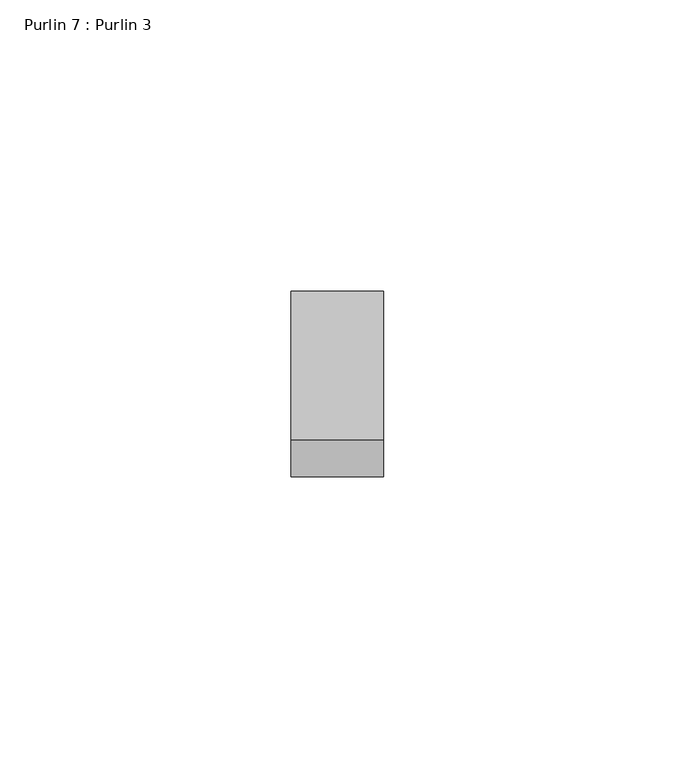
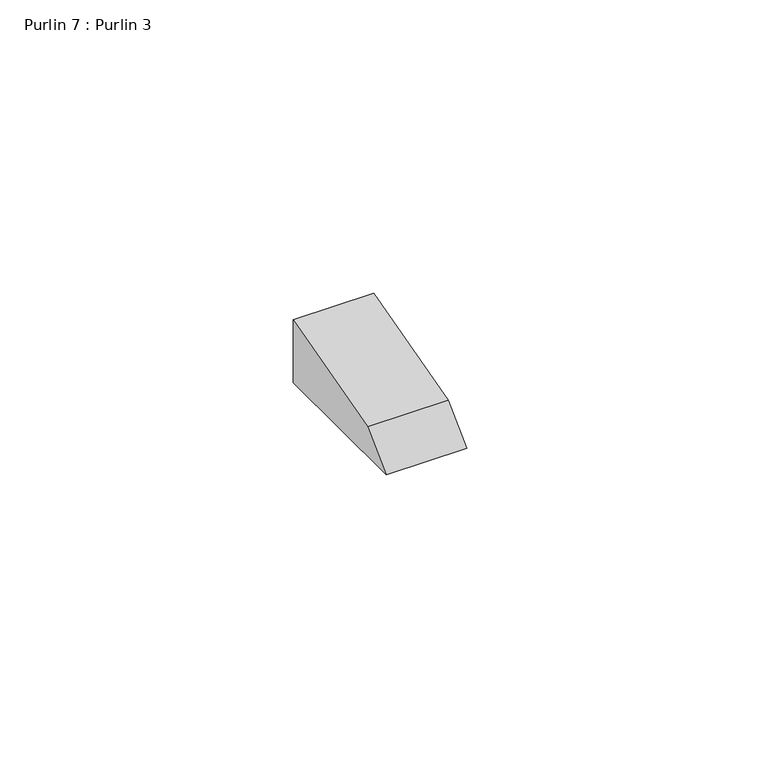
"""IFC4 building model written with IfcOpenShell, lengths in millimetres: proxy geometry, Purlin 7 : Purlin 3."""

from ifc_helpers import new_model, si_unit, frame, origin, place, context, project, spatial, polyline, outline, extrude, source, transform, mapped, element, save


def purlin_7_purlin_3_e2411049(model_context):
    return source(origin(), model_context, "Body", "SweptSolid", [
        extrude(outline(polyline([(7476.9130824, 2287.9178282), (7445.1630824, 2287.9178282), (7451.4152148, 2294.1699605), (7476.9130824, 2301.0020936), (7476.9130824, 2287.9178282)])), frame((-5138.086916, 0.0, 0.0), z_axis=(1.0, 0.0, 0.0), x_axis=(0.0, 1.0, 0.0)), (0.0, 0.0, 1.0), 15.869307),
    ])


if __name__ == "__main__":
    model = new_model("IFC4")
    model_context = context("Model", 3, world=origin())
    ifc_project = project(units=[si_unit("LENGTHUNIT", "METRE", prefix="MILLI")], contexts=[model_context])
    site = spatial("IfcSite", under=ifc_project)
    building = spatial("IfcBuilding", under=site)
    placement = place(None, origin())
    purlin_7_purlin_3_shape = purlin_7_purlin_3_e2411049(model_context)
    element("IfcBuildingElementProxy", 1, Name="Purlin 7 : Purlin 3", ObjectType="Purlin 7 : Purlin 3", at=placement, inside=building, context=model_context, shape_type="MappedRepresentation", body=[
        mapped(purlin_7_purlin_3_shape, transform((0.0, 0.0, 0.0), x_axis=(1.0, 0.0, 0.0), y_axis=(0.0, 1.0, 0.0), z_axis=(0.0, 0.0, 1.0))),
    ])
    save(model, "model.ifc")
